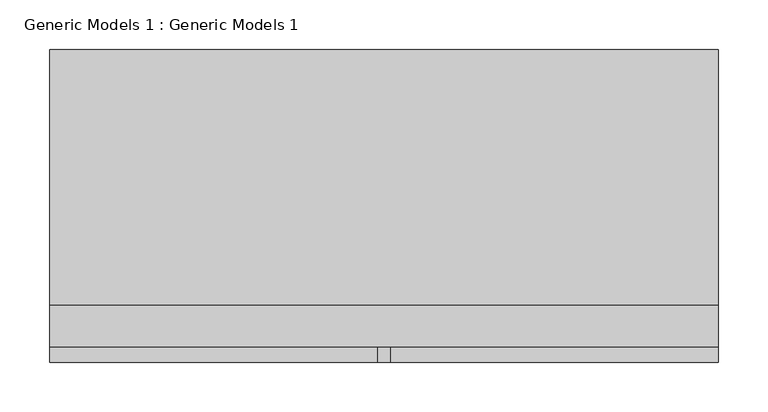
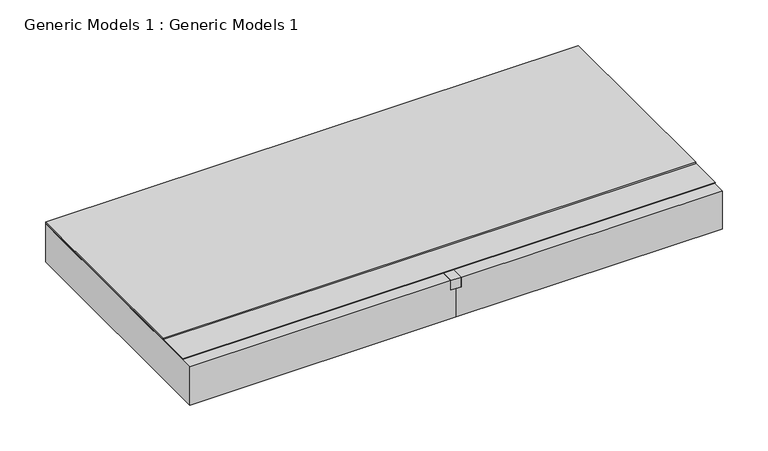
"""IFC4 building model written with IfcOpenShell, lengths in millimetres: proxy geometry, Generic Models 1 : Generic Models 1."""

from ifc_helpers import new_model, si_unit, frame, origin, place, context, project, spatial, polyline, outline, extrude, source, transform, mapped, element, save


def generic_models_1_generic_models_1_a5bfb469(model_context):
    return source(origin(), model_context, "Body", "SweptSolid", [
        extrude(outline(polyline([(-285.75, 317.5), (387.35, 317.5), (387.35, 60.368829), (-285.75, 60.368829), (-285.75, 317.5)])), frame((0.0, 0.0, 189.70625), z_axis=(0.0, 0.0, 1.0), x_axis=(1.0, 0.0, 0.0)), (0.0, 0.0, 1.0), 1.5875),
        extrude(outline(polyline([(44.45, 317.5), (57.15, 317.5), (57.15, 2.38125), (44.45, 2.38125), (44.45, 317.5)])), frame((0.0, 0.0, 175.41875), z_axis=(0.0, 0.0, 1.0), x_axis=(1.0, 0.0, 0.0)), (0.0, 0.0, 1.0), 12.7),
        extrude(outline(polyline([(188.11875, -285.75), (137.31875, -285.75), (137.31875, 50.8), (175.41875, 50.8), (175.41875, 44.45), (188.11875, 44.45), (188.11875, -285.75)])), frame((0.0, 2.38125, 0.0), z_axis=(0.0, 1.0, 0.0), x_axis=(0.0, 0.0, 1.0)), (0.0, 0.0, 1.0), 315.11875),
        extrude(outline(polyline([(387.35, 17.8142958), (-285.75, 17.8142958), (-285.75, 317.5), (387.35, 317.5), (387.35, 17.8142958)])), frame((0.0, 0.0, 188.9125), z_axis=(0.0, 0.0, 1.0), x_axis=(1.0, 0.0, 0.0)), (0.0, 0.0, 1.0), 0.79375),
        extrude(outline(polyline([(188.11875, 387.35), (188.11875, 57.15), (175.41875, 57.15), (175.41875, 50.8), (137.31875, 50.8), (137.31875, 387.35), (188.11875, 387.35)])), frame((0.0, 2.38125, 0.0), z_axis=(0.0, 1.0, 0.0), x_axis=(0.0, 0.0, 1.0)), (0.0, 0.0, 1.0), 315.11875),
    ])


if __name__ == "__main__":
    model = new_model("IFC4")
    model_context = context("Model", 3, world=origin())
    ifc_project = project(units=[si_unit("LENGTHUNIT", "METRE", prefix="MILLI")], contexts=[model_context])
    site = spatial("IfcSite", under=ifc_project)
    building = spatial("IfcBuilding", under=site)
    placement = place(None, origin())
    generic_models_1_generic_models_1_shape = generic_models_1_generic_models_1_a5bfb469(model_context)
    element("IfcBuildingElementProxy", 1, Name="Generic Models 1 : Generic Models 1", ObjectType="Generic Models 1 : Generic Models 1", at=placement, inside=building, context=model_context, shape_type="MappedRepresentation", body=[
        mapped(generic_models_1_generic_models_1_shape, transform((0.0, 0.0, 0.0), x_axis=(1.0, 0.0, 0.0), y_axis=(0.0, 1.0, 0.0), z_axis=(0.0, 0.0, 1.0))),
    ])
    save(model, "model.ifc")
